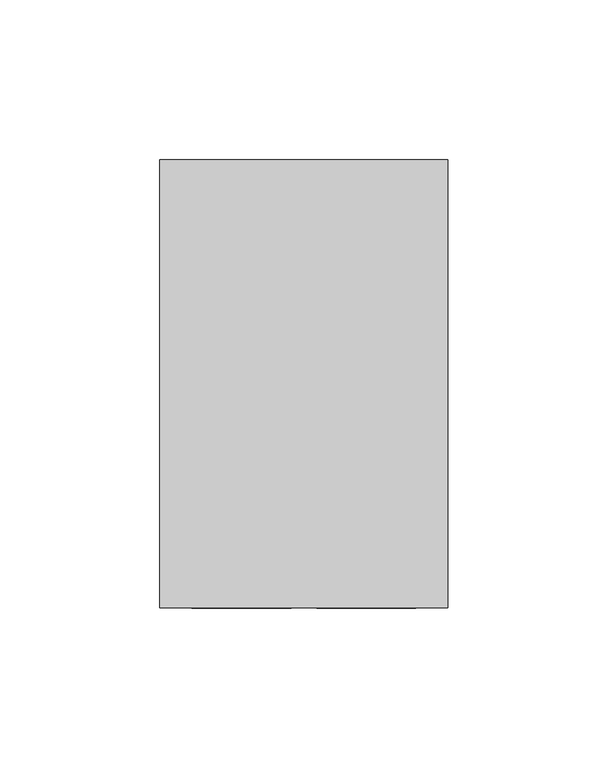
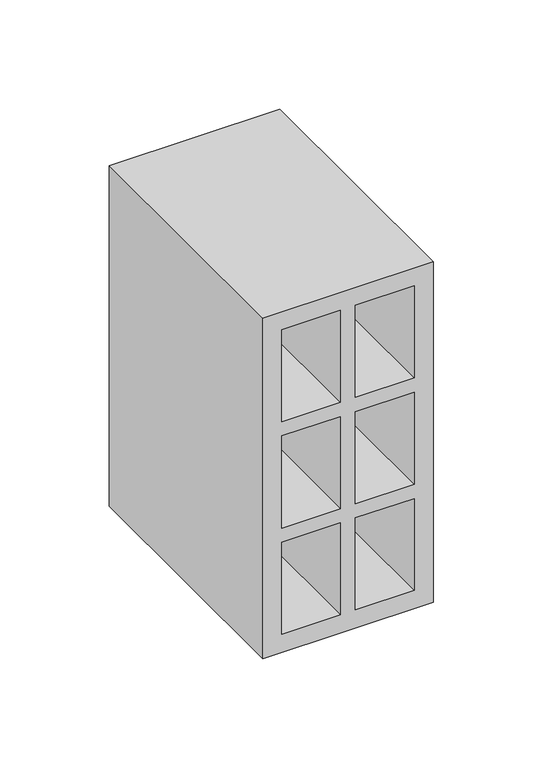
"""IFC4 building model written with IfcOpenShell, lengths in millimetres: proxy geometry."""

from ifc_helpers import new_model, si_unit, frame, origin, place, context, project, spatial, polyline, outline, extrude, source, transform, mapped, element, save


def generic_models_ccb90fa5(model_context):
    return source(origin(), model_context, "Body", "SweptSolid", [
        extrude(outline(polyline([(0.0, 90.0), (190.0, 90.0), (190.0, 0.0), (0.0, 0.0), (0.0, 90.0)]), holes=[polyline([(10.0, 49.0), (61.3, 49.0), (61.3, 80.0), (10.0, 80.0), (10.0, 49.0)]), polyline([(10.0, 41.0), (10.0, 10.0), (61.3, 10.0), (61.3, 41.0), (10.0, 41.0)]), polyline([(180.0, 49.0), (180.0, 80.0), (128.7, 80.0), (128.7, 49.0), (180.0, 49.0)]), polyline([(180.0, 41.0), (128.7, 41.0), (128.7, 10.0), (180.0, 10.0), (180.0, 41.0)]), polyline([(69.3, 49.0), (120.7, 49.0), (120.7, 80.0), (69.3, 80.0), (69.3, 49.0)]), polyline([(69.3, 41.0), (69.3, 10.0), (120.7, 10.0), (120.7, 41.0), (69.3, 41.0)])]), frame((0.0, 0.0, 0.0), z_axis=(0.0, 1.0, 0.0), x_axis=(0.0, 0.0, 1.0)), (0.0, 0.0, 1.0), 140.0),
    ])


if __name__ == "__main__":
    model = new_model("IFC4")
    model_context = context("Model", 3, world=origin())
    ifc_project = project(units=[si_unit("LENGTHUNIT", "METRE", prefix="MILLI")], contexts=[model_context])
    site = spatial("IfcSite", under=ifc_project)
    building = spatial("IfcBuilding", under=site)
    placement = place(None, origin())
    generic_models_shape = generic_models_ccb90fa5(model_context)
    element("IfcBuildingElementProxy", 1, Name="Generic Models", at=placement, inside=building, context=model_context, shape_type="MappedRepresentation", body=[
        mapped(generic_models_shape, transform((0.0, 0.0, 0.0), x_axis=(1.0, 0.0, 0.0), y_axis=(0.0, 1.0, 0.0), z_axis=(0.0, 0.0, 1.0))),
    ])
    save(model, "model.ifc")
